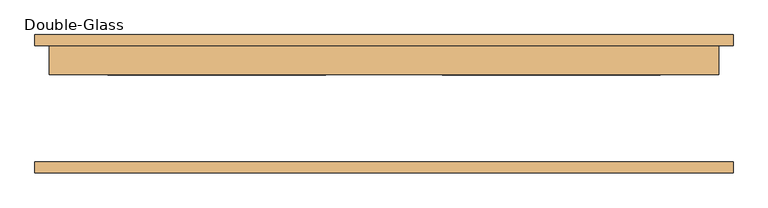
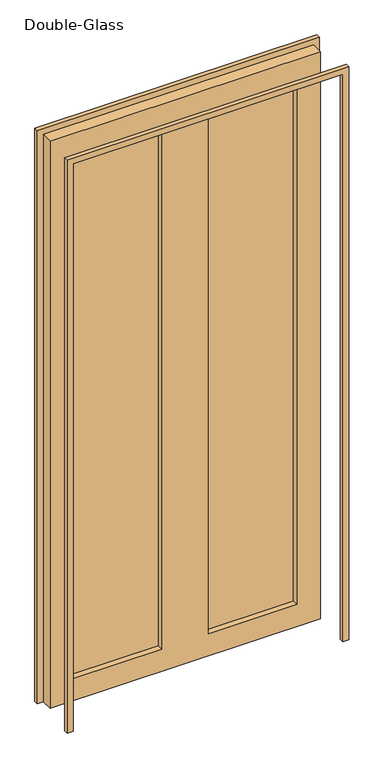
"""IFC4 building model written with IfcOpenShell, lengths in millimetres: door geometry, Double-Glass."""

from ifc_helpers import new_model, si_unit, frame, origin, place, context, project, spatial, polyline, outline, extrude, source, transform, mapped, element, save


def double_glass_c2aae917(model_context):
    return source(origin(), model_context, "Body", "SweptSolid", [
        extrude(outline(polyline([(0.0, 609.6), (2616.2, 609.6), (2616.2, -609.6), (0.0, -609.6), (0.0, -584.2), (2590.8, -584.2), (2590.8, 584.2), (0.0, 584.2), (0.0, 609.6)])), frame((0.0, -118.26875, 0.0), z_axis=(0.0, 1.0, 0.0), x_axis=(0.0, 0.0, 1.0)), (0.0, 0.0, 1.0), 19.05),
        extrude(outline(polyline([(2590.8, 584.2), (0.0, 584.2), (0.0, 609.6), (2616.2, 609.6), (2616.2, -609.6), (0.0, -609.6), (0.0, -584.2), (2590.8, -584.2), (2590.8, 584.2)])), frame((0.0, 103.98125, 0.0), z_axis=(0.0, 1.0, 0.0), x_axis=(0.0, 0.0, 1.0)), (0.0, 0.0, 1.0), 19.05),
        extrude(outline(polyline([(482.6, 78.58125), (101.6, 78.58125), (101.6, 85.725), (482.6, 85.725), (482.6, 78.58125)])), frame((0.0, 0.0, 101.6), z_axis=(0.0, 0.0, 1.0), x_axis=(1.0, 0.0, 0.0)), (0.0, 0.0, 1.0), 2387.6),
        extrude(outline(polyline([(-101.6, 78.58125), (-482.6, 78.58125), (-482.6, 85.725), (-101.6, 85.725), (-101.6, 78.58125)])), frame((0.0, 0.0, 101.6), z_axis=(0.0, 0.0, 1.0), x_axis=(1.0, 0.0, 0.0)), (0.0, 0.0, 1.0), 2387.6),
        extrude(outline(polyline([(2590.8, 584.2), (2590.8, -584.2), (0.0, -584.2), (0.0, 584.2), (2590.8, 584.2)]), holes=[polyline([(2489.2, -101.6), (101.6, -101.6), (101.6, -482.6), (2489.2, -482.6), (2489.2, -101.6)]), polyline([(2489.2, 482.6), (101.6, 482.6), (101.6, 101.6), (2489.2, 101.6), (2489.2, 482.6)])]), frame((0.0, 53.18125, 0.0), z_axis=(0.0, 1.0, 0.0), x_axis=(0.0, 0.0, 1.0)), (0.0, 0.0, 1.0), 50.8),
    ])


if __name__ == "__main__":
    model = new_model("IFC4")
    model_context = context("Model", 3, world=origin())
    ifc_project = project(units=[si_unit("LENGTHUNIT", "METRE", prefix="MILLI")], contexts=[model_context])
    site = spatial("IfcSite", under=ifc_project)
    building = spatial("IfcBuilding", under=site)
    placement = place(None, origin())
    double_glass_shape = double_glass_c2aae917(model_context)
    element("IfcDoor", 1, ObjectType="Double-Glass", at=placement, inside=building, context=model_context, shape_type="MappedRepresentation", body=[
        mapped(double_glass_shape, transform((0.0, 0.0, 0.0), x_axis=(1.0, 0.0, 0.0), y_axis=(0.0, 1.0, 0.0), z_axis=(0.0, 0.0, 1.0))),
    ])
    save(model, "model.ifc")
